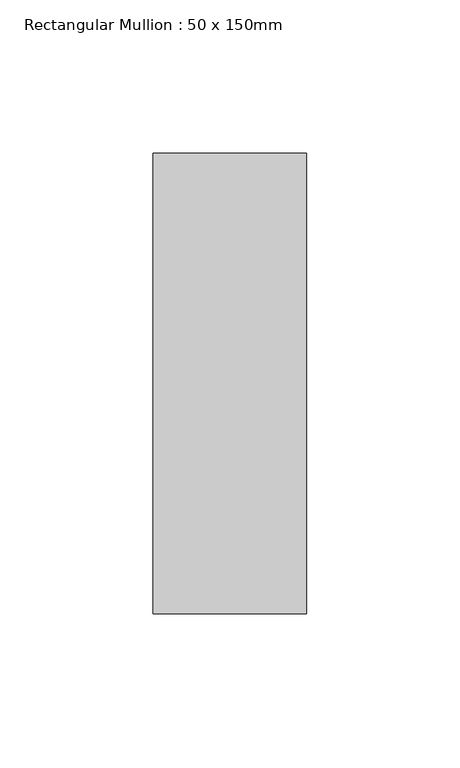
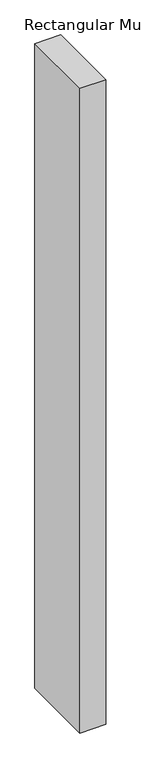
"""IFC4 building model written with IfcOpenShell, lengths in millimetres: member geometry, Rectangular Mullion : 50 x 150mm."""

from ifc_helpers import new_model, si_unit, frame, origin, place, context, project, spatial, polyline, outline, extrude, source, transform, mapped, element, save


def rectangular_mullion_50_x_150mm_fb611670(model_context):
    return source(origin(), model_context, "Body", "SweptSolid", [
        extrude(outline(polyline([(25.0, 75.0), (25.0, -75.0), (-25.0, -75.0), (-25.0, 75.0), (25.0, 75.0)])), frame((0.0, 0.0, -1312.5), z_axis=(0.0, 0.0, 1.0), x_axis=(1.0, 0.0, 0.0)), (0.0, 0.0, 1.0), 1312.5),
    ])


if __name__ == "__main__":
    model = new_model("IFC4")
    model_context = context("Model", 3, world=origin())
    ifc_project = project(units=[si_unit("LENGTHUNIT", "METRE", prefix="MILLI")], contexts=[model_context])
    site = spatial("IfcSite", under=ifc_project)
    building = spatial("IfcBuilding", under=site)
    placement = place(None, origin())
    rectangular_mullion_50_x_150mm_shape = rectangular_mullion_50_x_150mm_fb611670(model_context)
    element("IfcMember", 1, ObjectType="Rectangular Mullion : 50 x 150mm", at=placement, inside=building, context=model_context, shape_type="MappedRepresentation", body=[
        mapped(rectangular_mullion_50_x_150mm_shape, transform((0.0, 0.0, 0.0), x_axis=(1.0, 0.0, 0.0), y_axis=(0.0, 1.0, 0.0), z_axis=(0.0, 0.0, 1.0))),
    ])
    save(model, "model.ifc")
